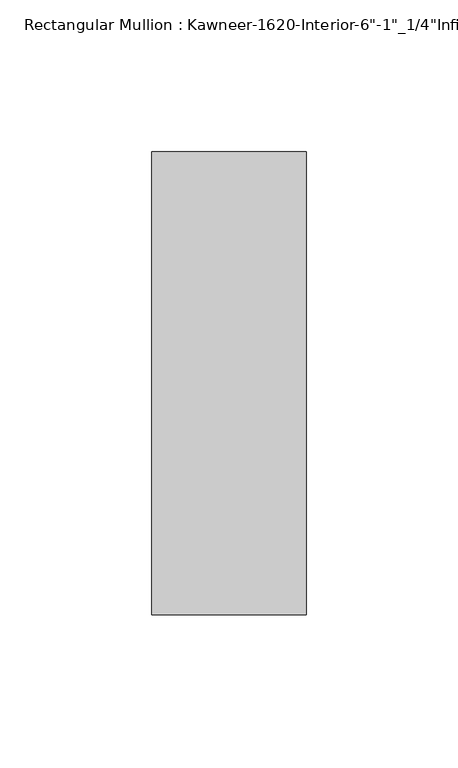
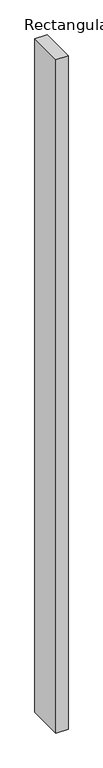
"""IFC4 building model written with IfcOpenShell, lengths in millimetres: member geometry."""

from ifc_helpers import new_model, si_unit, frame, origin, place, context, project, spatial, polyline, outline, extrude, source, transform, mapped, element, save


def member_1b491eb0(model_context):
    return source(origin(), model_context, "Body", "SweptSolid", [
        extrude(outline(polyline([(25.4, -123.825), (-25.4, -123.825), (-25.4, 28.575), (25.4, 28.575), (25.4, -123.825)])), frame((0.0, 0.0, -2984.5), z_axis=(0.0, 0.0, 1.0), x_axis=(1.0, 0.0, 0.0)), (0.0, 0.0, 1.0), 2984.5),
    ])


if __name__ == "__main__":
    model = new_model("IFC4")
    model_context = context("Model", 3, world=origin())
    ifc_project = project(units=[si_unit("LENGTHUNIT", "METRE", prefix="MILLI")], contexts=[model_context])
    site = spatial("IfcSite", under=ifc_project)
    building = spatial("IfcBuilding", under=site)
    placement = place(None, origin())
    member_shape = member_1b491eb0(model_context)
    element("IfcMember", 1, ObjectType="Rectangular Mullion : Kawneer-1620-Interior-6\"-1\"_1/4\"Infill", at=placement, inside=building, context=model_context, shape_type="MappedRepresentation", body=[
        mapped(member_shape, transform((0.0, 0.0, 0.0), x_axis=(1.0, 0.0, 0.0), y_axis=(0.0, 1.0, 0.0), z_axis=(0.0, 0.0, 1.0))),
    ])
    save(model, "model.ifc")
